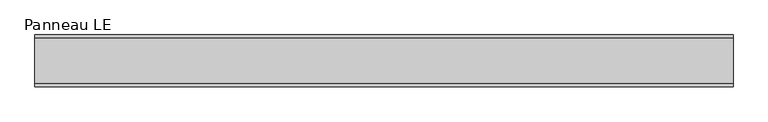
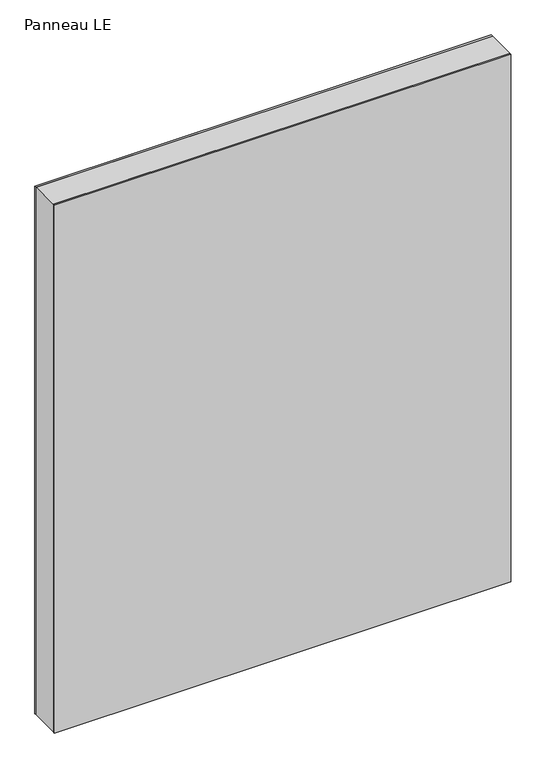
"""IFC4 building model written with IfcOpenShell, lengths in millimetres: plate geometry, Panneau LE."""

from ifc_helpers import new_model, si_unit, frame, origin, origin_with_axes, place, context, project, spatial, polyline, outline, extrude, source, transform, mapped, element, save


def panneau_le_97c230aa(model_context):
    return source(origin(), model_context, "Body", "SweptSolid", [
        extrude(outline(polyline([(1483.5, 606.9999999), (1483.5, -606.9999999), (0.0, -606.9999999), (0.0, 606.9999999), (1483.5, 606.9999999)]), holes=[polyline([(30.0, -566.9999999), (1423.5, -566.9999999), (1423.5, 566.9999999), (30.0, 566.9999999), (30.0, -566.9999999)])]), frame((0.0, -39.0, 0.0), z_axis=(0.0, 1.0, 0.0), x_axis=(0.0, 0.0, 1.0)), (0.0, 0.0, 1.0), 78.0),
        extrude(outline(polyline([(606.9999999, 39.0), (-606.9999999, 39.0), (-606.9999999, 45.0), (606.9999999, 45.0), (606.9999999, 39.0)])), origin_with_axes(), (0.0, 0.0, 1.0), 1483.5),
        extrude(outline(polyline([(-606.9999999, -45.0), (-606.9999999, -39.0), (606.9999999, -39.0), (606.9999999, -45.0), (-606.9999999, -45.0)])), origin_with_axes(), (0.0, 0.0, 1.0), 1483.5),
    ])


if __name__ == "__main__":
    model = new_model("IFC4")
    model_context = context("Model", 3, world=origin())
    ifc_project = project(units=[si_unit("LENGTHUNIT", "METRE", prefix="MILLI")], contexts=[model_context])
    site = spatial("IfcSite", under=ifc_project)
    building = spatial("IfcBuilding", under=site)
    placement = place(None, origin())
    panneau_le_shape = panneau_le_97c230aa(model_context)
    element("IfcPlate", 1, ObjectType="Panneau LE", at=placement, inside=building, context=model_context, shape_type="MappedRepresentation", body=[
        mapped(panneau_le_shape, transform((0.0, 0.0, 0.0), x_axis=(1.0, 0.0, 0.0), y_axis=(0.0, 1.0, 0.0), z_axis=(0.0, 0.0, 1.0))),
    ])
    save(model, "model.ifc")
